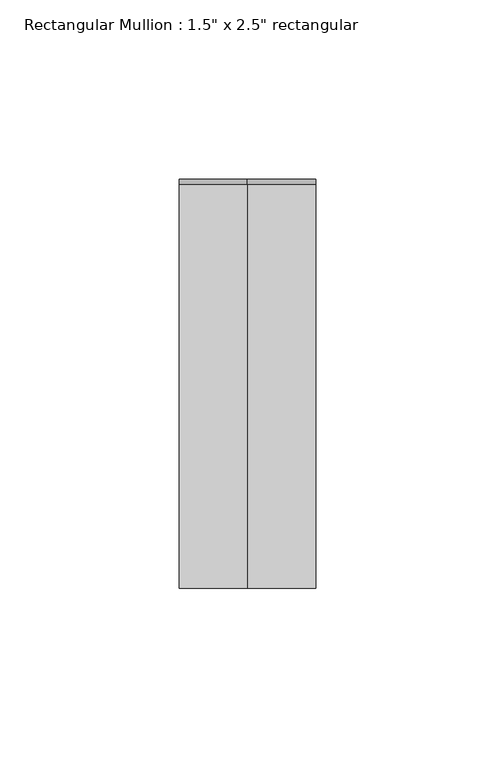
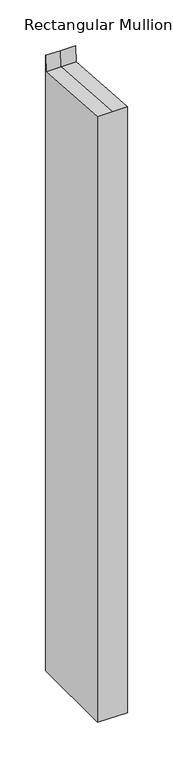
"""IFC4 building model written with IfcOpenShell, lengths in millimetres: member geometry."""

from ifc_helpers import new_model, si_unit, origin, place, context, project, spatial, faceted_brep, source, transform, mapped, element, save


def member_b162cfff(model_context):
    return source(origin(), model_context, "Body", "Brep", [
        faceted_brep([(19.05, 57.15, -807.6203056), (19.05, -57.15, -807.6203056), (-19.05, -57.15, -807.6203056), (-19.05, 57.15, -807.6203056), (-19.05, 57.15, 16.9861539), (0.0, 57.15, 16.9861539), (19.05, 57.15, 16.9861539), (-19.05, -57.15, 4.0833298), (-19.05, 55.6270263, -4.0726933), (19.05, -57.15, 4.0833298), (0.0, -57.15, 4.0833298), (19.05, 55.6270263, -4.0726933), (0.0, 55.6270263, -4.0726933)], [[[0, 1, 2, 3]], [[4, 5, 6, 0, 3]], [[7, 8, 4, 3, 2]], [[9, 10, 7, 2, 1]], [[6, 11, 9, 1, 0]], [[6, 5, 12, 11]], [[5, 4, 8, 12]], [[8, 7, 10, 12]], [[10, 9, 11, 12]]]),
    ])


if __name__ == "__main__":
    model = new_model("IFC4")
    model_context = context("Model", 3, world=origin())
    ifc_project = project(units=[si_unit("LENGTHUNIT", "METRE", prefix="MILLI")], contexts=[model_context])
    site = spatial("IfcSite", under=ifc_project)
    building = spatial("IfcBuilding", under=site)
    placement = place(None, origin())
    member_shape = member_b162cfff(model_context)
    element("IfcMember", 1, ObjectType="Rectangular Mullion : 1.5\" x 2.5\" rectangular", at=placement, inside=building, context=model_context, shape_type="MappedRepresentation", body=[
        mapped(member_shape, transform((0.0, 0.0, 0.0), x_axis=(1.0, 0.0, 0.0), y_axis=(0.0, 1.0, 0.0), z_axis=(0.0, 0.0, 1.0))),
    ])
    save(model, "model.ifc")
